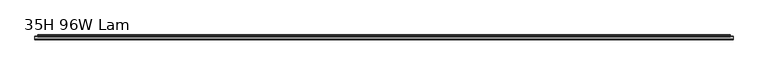
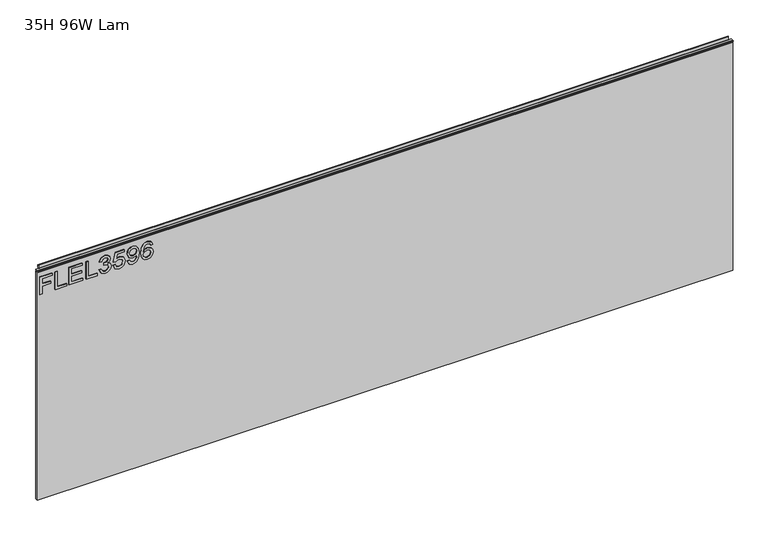
"""IFC4 building model written with IfcOpenShell, lengths in millimetres: furniture geometry, 35H 96W Lam."""

from ifc_helpers import new_model, si_unit, frame, origin, place, context, project, spatial, polyline, outline, extrude, source, transform, mapped, element, save


def furniture_35h_96w_lam_154e08b1(model_context):
    return source(origin(), model_context, "Body", "SweptSolid", [
        extrude(outline(polyline([(773.6078, -291.2189953), (773.6078, -283.2452757), (802.5125336, -283.2452757), (802.5125336, -253.3438271), (810.4862532, -253.3438271), (810.4862532, -283.2452757), (829.4238373, -283.2452757), (829.4238373, -248.3602524), (837.3975569, -248.3602524), (837.3975569, -291.2189953), (773.6078, -291.2189953)])), frame((0.0, -5.5562439, 0.0), z_axis=(0.0, 1.0, 0.0), x_axis=(0.0, 0.0, 1.0)), (0.0, 0.0, 1.0), 2.38125),
        extrude(outline(polyline([(773.6078, -237.3963879), (773.6078, -197.5277898), (781.5815196, -197.5277898), (781.5815196, -229.4226683), (837.3975569, -229.4226683), (837.3975569, -237.3963879), (773.6078, -237.3963879)])), frame((0.0, -5.5562439, 0.0), z_axis=(0.0, 1.0, 0.0), x_axis=(0.0, 0.0, 1.0)), (0.0, 0.0, 1.0), 2.38125),
        extrude(outline(polyline([(773.6078, -188.5573553), (773.6078, -141.7117525), (781.5815196, -141.7117525), (781.5815196, -180.5836356), (802.5125336, -180.5836356), (802.5125336, -144.7018974), (810.4862532, -144.7018974), (810.4862532, -180.5836356), (829.4238373, -180.5836356), (829.4238373, -142.7084674), (837.3975569, -142.7084674), (837.3975569, -188.5573553), (773.6078, -188.5573553)])), frame((0.0, -5.5562439, 0.0), z_axis=(0.0, 1.0, 0.0), x_axis=(0.0, 0.0, 1.0)), (0.0, 0.0, 1.0), 2.38125),
        extrude(outline(polyline([(773.6078, -129.7511731), (773.6078, -89.882575), (781.5815196, -89.882575), (781.5815196, -121.7774534), (837.3975569, -121.7774534), (837.3975569, -129.7511731), (773.6078, -129.7511731)])), frame((0.0, -5.5562439, 0.0), z_axis=(0.0, 1.0, 0.0), x_axis=(0.0, 0.0, 1.0)), (0.0, 0.0, 1.0), 2.38125),
        extrude(outline(polyline([(790.5519542, -83.9022853), (777.6102335, -77.5638011), (772.611085, -63.5786444), (774.0750101, -55.0559529), (778.4667854, -48.1451364), (784.9610063, -43.566477), (792.7322681, -42.0402573), (803.1043331, -45.0926968), (808.555118, -53.7828053), (813.8345925, -47.2418634), (821.1853653, -45.0304021), (829.2291664, -47.358666), (835.2094562, -54.0864919), (837.3975569, -63.7032338), (832.9590607, -76.3802021), (820.4534028, -82.9055703), (819.4566878, -74.9318507), (826.9320499, -71.0228592), (829.4238373, -63.4229077), (826.9554105, -55.9163982), (820.7181552, -53.0041217), (813.6788558, -57.0221289), (811.4829682, -67.3474729), (803.5092486, -68.2351721), (804.3813742, -62.6442242), (801.11869, -53.5803476), (792.8724312, -50.0139769), (784.120028, -53.6114949), (780.5848047, -63.2983184), (783.1544604, -71.5290036), (791.5486691, -75.9285656), (790.5519542, -83.9022853)])), frame((0.0, -5.5562439, 0.0), z_axis=(0.0, 1.0, 0.0), x_axis=(0.0, 0.0, 1.0)), (0.0, 0.0, 1.0), 2.38125),
        extrude(outline(polyline([(790.5519542, -35.0632526), (777.5245783, -28.841571), (772.611085, -14.7707591), (774.5227532, -5.3798354), (780.2577576, 1.799627), (795.0527451, 6.7987754), (809.7542907, 1.2467616), (815.469828, -12.3879874), (810.8600213, -24.0526671), (828.4271224, -20.6420331), (828.4271224, 3.8086305), (836.400842, 3.8086305), (836.400842, -27.089533), (803.5092486, -34.0665376), (802.5125336, -26.092818), (806.1100516, -21.6153876), (807.4961084, -14.6150224), (804.0231797, -4.5154967), (794.5543877, -1.1749442), (784.4081409, -4.7413149), (780.5848047, -14.7396118), (783.3335576, -23.0715258), (791.5486691, -27.089533), (790.5519542, -35.0632526)])), frame((0.0, -5.5562439, 0.0), z_axis=(0.0, 1.0, 0.0), x_axis=(0.0, 0.0, 1.0)), (0.0, 0.0, 1.0), 2.38125),
        extrude(outline(polyline([(789.5552392, 14.772495), (777.0573682, 20.4880323), (772.611085, 32.7445115), (776.3799135, 45.0554985), (787.3515648, 52.9747103), (806.7174248, 55.6378081), (824.5648519, 52.9669235), (834.0647913, 45.1489405), (837.3975569, 33.7879475), (835.9375253, 25.91351), (831.5574303, 19.4835305), (824.7828833, 15.2027177), (816.1394959, 13.7757801), (801.2043452, 19.2187781), (795.5355289, 32.5420538), (797.8560059, 41.2866701), (802.3412232, 47.7108094), (793.0904626, 46.5583578), (786.1601789, 43.9497679), (782.1032376, 39.5735663), (780.5848047, 33.1182796), (782.9442158, 26.328159), (790.5519542, 22.7462146), (789.5552392, 14.772495)]), holes=[polyline([(816.3263799, 47.6640884), (806.9120957, 44.0587836), (803.5092486, 34.8625308), (806.9120957, 25.284723), (815.7501541, 21.7494997), (825.6160747, 25.4871807), (829.4238373, 35.0805622), (825.888614, 44.2223071), (816.3263799, 47.6640884)])]), frame((0.0, -5.5562439, 0.0), z_axis=(0.0, 1.0, 0.0), x_axis=(0.0, 0.0, 1.0)), (0.0, 0.0, 1.0), 2.38125),
        extrude(outline(polyline([(820.4534028, 103.4801258), (832.896766, 97.5932781), (837.3975569, 84.9941781), (835.5793308, 75.7395241), (830.1246525, 68.5951024), (819.2659103, 63.3623489), (803.3846592, 61.6180978), (789.2593395, 63.1890918), (779.7749738, 67.9020741), (774.4020572, 75.1068437), (772.611085, 84.1531999), (775.313117, 94.6031332), (783.0999526, 101.8448903), (794.1027512, 104.4768407), (802.2750351, 103.0791037), (808.7887231, 98.8858928), (814.473113, 85.3367989), (812.3940279, 76.6233299), (806.0321833, 69.5918174), (820.2431582, 71.8577865), (827.4927021, 77.3007846), (829.4238373, 84.4958207), (826.1066454, 92.4851139), (819.4566878, 95.5064061), (820.4534028, 103.4801258)]), holes=[polyline([(794.2273406, 69.5918174), (803.11212, 73.5553167), (806.4993934, 83.203206), (803.11212, 92.9756846), (793.8379988, 96.5031211), (784.1511754, 92.9289636), (780.5848047, 83.530253), (782.3056953, 76.3430038), (787.3204174, 71.4372974), (794.2273406, 69.5918174)])]), frame((0.0, -5.5562439, 0.0), z_axis=(0.0, 1.0, 0.0), x_axis=(0.0, 0.0, 1.0)), (0.0, 0.0, 1.0), 2.38125),
        extrude(outline(polyline([(5.5562561, 863.6), (6.3500061, 863.6), (6.3500061, 873.47425), (7.1437561, 874.268), (8.6677569, 874.268), (10.0084363, 873.8506926), (10.875413, 872.7461816), (10.9623604, 871.3447591), (10.2390011, 868.3863459), (10.4046103, 867.1833307), (11.6746103, 864.9836103), (10.7786383, 864.4663244), (7.1437561, 864.4663244), (7.1437561, 863.6), (6.3500061, 863.3669239), (6.3500061, 856.1578), (5.5562561, 856.1578), (5.5562561, 863.6)])), frame((-288.671, 0.0, 0.0), z_axis=(1.0, 0.0, 0.0), x_axis=(0.0, 1.0, 0.0)), (0.0, 0.0, 1.0), 2406.142),
        extrude(outline(polyline([(5.5562561, 863.6), (5.5562561, 860.4249996), (-3.975094, 860.4249996), (-5.3492339, 861.2183657), (-5.3492339, 862.8066395), (-3.9751037, 863.6), (5.5562561, 863.6)])), frame((-298.196, 0.0, 0.0), z_axis=(1.0, 0.0, 0.0), x_axis=(0.0, 1.0, 0.0)), (0.0, 0.0, 1.0), 2425.192),
        extrude(outline(polyline([(2126.996, 6.3500061), (2126.996, -3.1749939), (-298.196, -3.1749939), (-298.196, 6.3500061), (2126.996, 6.3500061)])), frame((0.0, 0.0, 15.79626), z_axis=(0.0, 0.0, 1.0), x_axis=(1.0, 0.0, 0.0)), (0.0, 0.0, 1.0), 840.36154),
    ])


if __name__ == "__main__":
    model = new_model("IFC4")
    model_context = context("Model", 3, world=origin())
    ifc_project = project(units=[si_unit("LENGTHUNIT", "METRE", prefix="MILLI")], contexts=[model_context])
    site = spatial("IfcSite", under=ifc_project)
    building = spatial("IfcBuilding", under=site)
    placement = place(None, origin())
    furniture_35h_96w_lam_shape = furniture_35h_96w_lam_154e08b1(model_context)
    element("IfcFurniture", 1, ObjectType="35H 96W Lam", at=placement, inside=building, context=model_context, shape_type="MappedRepresentation", body=[
        mapped(furniture_35h_96w_lam_shape, transform((0.0, 0.0, 0.0), x_axis=(1.0, 0.0, 0.0), y_axis=(0.0, 1.0, 0.0), z_axis=(0.0, 0.0, 1.0))),
    ])
    save(model, "model.ifc")
